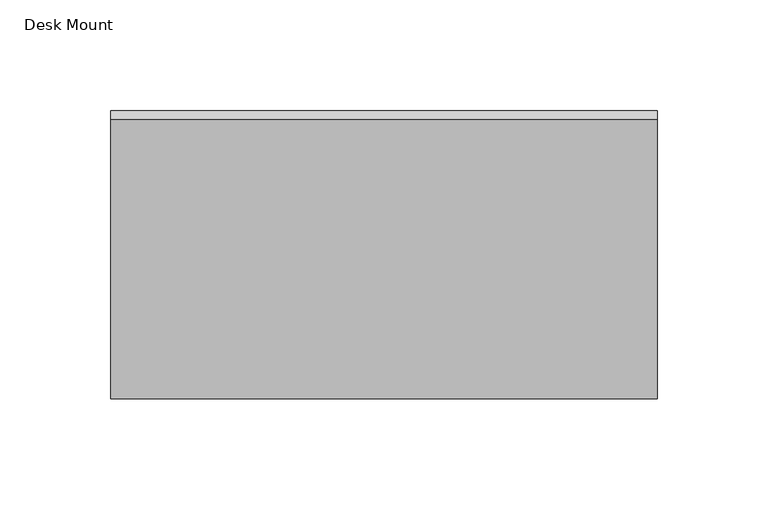
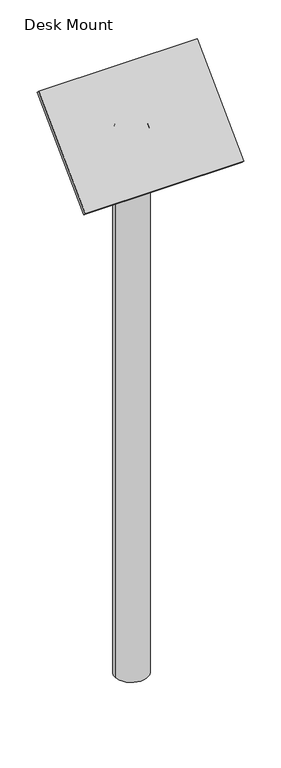
"""IFC4 building model written with IfcOpenShell, lengths in millimetres: proxy geometry, Desk Mount."""

from ifc_helpers import new_model, si_unit, point, frame, origin, place, context, project, spatial, polyline, circle_curve, ellipse_curve, trimmed, outline, extrude, source, transform, mapped, element, save
from ifc_brep_helpers import plane_surface, cylinder_surface, revolved_surface, advanced_brep


def desk_mount_2098a495(model_context):
    return source(origin(), model_context, "Body", "SolidModel", [
        extrude(outline(polyline([(0.0, -101.6), (0.0, 0.0), (6.35, 0.0), (6.35, -101.6), (0.0, -101.6)])), frame((-50.8, -58.3716648, 1789.9296158), z_axis=(0.0, 0.7071067811865277, 0.7071067811865673), x_axis=(0.0, 0.7071067811865673, -0.7071067811865277)), (0.0, 0.0, 1.0), 101.6),
        extrude(outline(polyline([(0.0, -247.396), (0.0, 0.0), (6.0523437, 0.0), (6.0523437, -247.396), (0.0, -247.396)])), frame((-123.698, -89.7716916, 1767.0888956), z_axis=(0.0, 0.7071067811865273, 0.7071067811865678), x_axis=(0.0, 0.7071067811865678, -0.7071067811865273)), (0.0, 0.0, 1.0), 178.308),
        advanced_brep(
        [(0.0, 0.0, 914.4), (-25.4, 0.0, 914.4), (25.4, 0.0, 914.4), (-25.4, 0.0, 1803.4), (25.4, 0.0, 1803.4), (0.0, 0.0, 1828.8)],
        [
            (0, 1),
            (1, 2, circle_curve(frame((0.0, 0.0, 914.4), z_axis=(0.0, 0.0, -1.0), x_axis=(-1.0, 0.0, 0.0)), 25.4)),
            (2, 0),
            (2, 1, circle_curve(frame((0.0, 0.0, 914.4), z_axis=(0.0, 0.0, -1.0), x_axis=(-1.0, 0.0, 0.0)), 25.4)),
            (1, 3),
            (3, 4, circle_curve(frame((0.0, 0.0, 1803.4), z_axis=(0.0, 0.0, -1.0), x_axis=(-1.0, 0.0, 0.0)), 25.4)),
            (4, 2),
            (4, 3, circle_curve(frame((0.0, 0.0, 1803.4), z_axis=(0.0, 0.0, -1.0), x_axis=(-1.0, 0.0, 0.0)), 25.4)),
            (3, 5, circle_curve(frame((0.0, 0.0, 1803.4), z_axis=(0.0, 1.0, 0.0), x_axis=(1.0, 0.0, 0.0)), 25.4)),
            (5, 4, circle_curve(frame((0.0, 0.0, 1803.4), z_axis=(0.0, 1.0, 0.0), x_axis=(-1.0, 0.0, 0.0)), 25.4)),
        ],
        [
            plane_surface(frame((0.0, 0.0, 914.4), z_axis=(0.0, 0.0, -1.0), x_axis=(-1.0, 0.0, 0.0))),
            cylinder_surface(frame((0.0, 0.0, 1876.2875724), z_axis=(0.0, 0.0, -1.0), x_axis=(-1.0, 0.0, 0.0)), 25.4),
            revolved_surface(trimmed(ellipse_curve(frame((0.0, 0.0, 1803.4), z_axis=(0.0, -1.0, 0.0), x_axis=(1.0, 0.0, 0.0)), 25.4, 25.4), [point((0.0, 0.0, 1828.8))], [point((-25.4, 0.0, 1803.4))], True, "CARTESIAN"), (0.0, 0.0, 1876.2875724), (0.0, 0.0, -1.0)),
        ],
        [
            (0, [[1, 2, 3]]),
            (0, [[-3, 4, -1]]),
            (1, [[-2, 5, 6, 7]]),
            (1, [[-4, -7, 8, -5]]),
            (2, [[-6, 9, 10]]),
            (2, [[-8, -10, -9]]),
        ],
    ),
    ])


if __name__ == "__main__":
    model = new_model("IFC4")
    model_context = context("Model", 3, world=origin())
    ifc_project = project(units=[si_unit("LENGTHUNIT", "METRE", prefix="MILLI")], contexts=[model_context])
    site = spatial("IfcSite", under=ifc_project)
    building = spatial("IfcBuilding", under=site)
    placement = place(None, origin())
    desk_mount_shape = desk_mount_2098a495(model_context)
    element("IfcBuildingElementProxy", 1, Name="Desk Mount", ObjectType="Desk Mount", at=placement, inside=building, context=model_context, shape_type="MappedRepresentation", body=[
        mapped(desk_mount_shape, transform((0.0, 0.0, 0.0), x_axis=(1.0, 0.0, 0.0), y_axis=(0.0, 1.0, 0.0), z_axis=(0.0, 0.0, 1.0))),
    ])
    save(model, "model.ifc")
